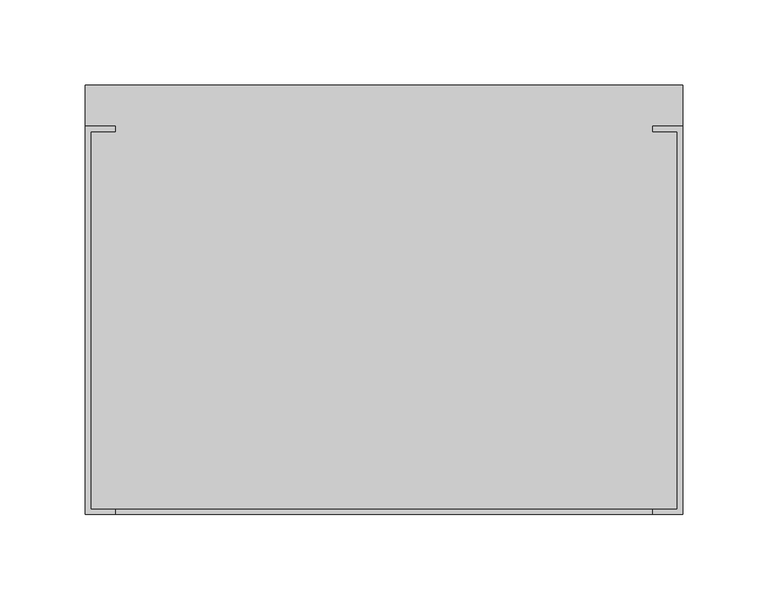
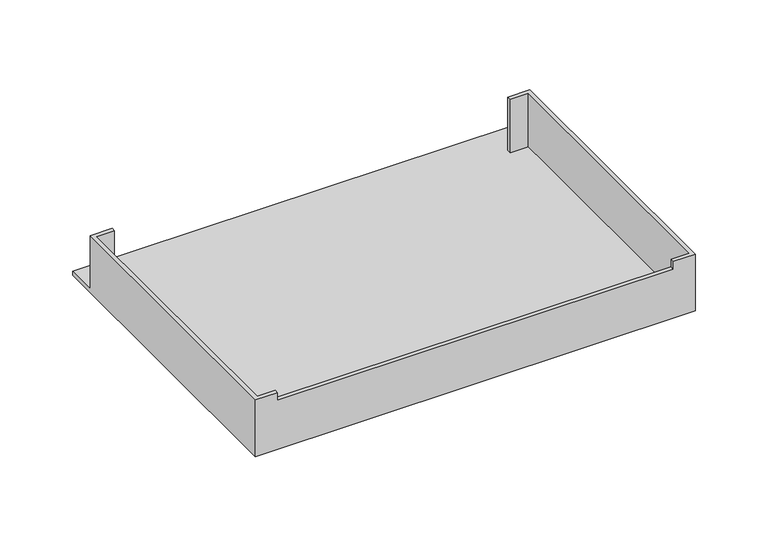
"""IFC4 building model written with IfcOpenShell, lengths in millimetres: furniture geometry."""

from ifc_helpers import new_model, si_unit, frame, origin, place, context, project, spatial, polyline, outline, extrude, faceted_brep, source, transform, mapped, element, save


def furniture_e3d21232(model_context):
    return source(origin(), model_context, "Body", "SolidModel", [
        extrude(outline(polyline([(345.2300903, 4.0639886), (4.0637773, 4.0639886), (4.0637773, 223.2660158), (345.2300903, 223.2660158), (345.2300903, 4.0639886)]), holes=[polyline([(5.7148393, 221.6149538), (5.7148393, 5.7149053), (343.5790283, 5.7149053), (343.5790283, 221.6149538), (5.7148393, 221.6149538)])]), frame((0.0, 0.0, 723.9), z_axis=(0.0, 0.0, 1.0), x_axis=(1.0, 0.0, 0.0)), (0.0, 0.0, 1.0), 3.0479971),
        faceted_brep([(17.4623677, 0.0, 774.573), (17.4623677, 3.0479618, 774.573), (3.0481312, 3.0479618, 774.573), (3.0481312, 224.2820875, 774.573), (17.4623677, 224.2820875, 774.573), (17.4623677, 227.3300119, 774.573), (0.0, 227.3300119, 774.573), (0.0, 0.0, 774.573), (331.7878261, 0.0, 774.573), (349.2501938, 0.0, 774.573), (349.2501938, 227.3300119, 774.573), (331.7878261, 227.3300119, 774.573), (331.7878261, 224.2820875, 774.573), (346.2020625, 224.2820875, 774.573), (346.2020625, 3.0479618, 774.573), (331.7878261, 3.0479618, 774.573), (0.0, 0.0, 726.9479971), (349.2501938, 0.0, 726.9479971), (331.7878261, 0.0, 768.2230213), (17.4623677, 0.0, 768.2230213), (0.0, 227.3300119, 729.9959942), (0.0, 251.2313221, 729.9959942), (0.0, 251.2313221, 726.9479971), (17.4623677, 227.3300119, 729.9959942), (17.4623677, 224.2820875, 729.9959942), (3.0481312, 224.2820875, 729.9959942), (3.0481312, 3.0479618, 729.9959942), (17.4623677, 3.0479618, 768.2230213), (331.7878261, 3.0479618, 768.2230213), (346.2020625, 3.0479618, 729.9959942), (346.2020625, 224.2820875, 729.9959942), (331.7878261, 224.2820875, 729.9959942), (331.7878261, 227.3300119, 729.9959942), (349.2501938, 227.3300119, 729.9959942), (349.2501938, 251.2313221, 726.9479971), (349.2501938, 251.2313221, 729.9959942)], [[[0, 1, 2, 3, 4, 5, 6, 7]], [[8, 9, 10, 11, 12, 13, 14, 15]], [[7, 16, 17, 9, 8, 18, 19, 0]], [[6, 20, 21, 22, 16, 7]], [[5, 23, 20, 6]], [[4, 24, 23, 5]], [[3, 25, 24, 4]], [[2, 26, 25, 3]], [[1, 27, 28, 15, 14, 29, 26, 2]], [[0, 19, 27, 1]], [[15, 28, 18, 8]], [[13, 30, 29, 14]], [[12, 31, 30, 13]], [[11, 32, 31, 12]], [[10, 33, 32, 11]], [[9, 17, 34, 35, 33, 10]], [[21, 20, 23, 24, 25, 26, 29, 30, 31, 32, 33, 35]], [[17, 16, 22, 34]], [[35, 34, 22, 21]], [[18, 28, 27, 19]]]),
    ])


if __name__ == "__main__":
    model = new_model("IFC4")
    model_context = context("Model", 3, world=origin())
    ifc_project = project(units=[si_unit("LENGTHUNIT", "METRE", prefix="MILLI")], contexts=[model_context])
    site = spatial("IfcSite", under=ifc_project)
    building = spatial("IfcBuilding", under=site)
    placement = place(None, origin())
    furniture_shape = furniture_e3d21232(model_context)
    element("IfcFurniture", 1, at=placement, inside=building, context=model_context, shape_type="MappedRepresentation", body=[
        mapped(furniture_shape, transform((0.0, 0.0, 0.0), x_axis=(1.0, 0.0, 0.0), y_axis=(0.0, 1.0, 0.0), z_axis=(0.0, 0.0, 1.0))),
    ])
    save(model, "model.ifc")
